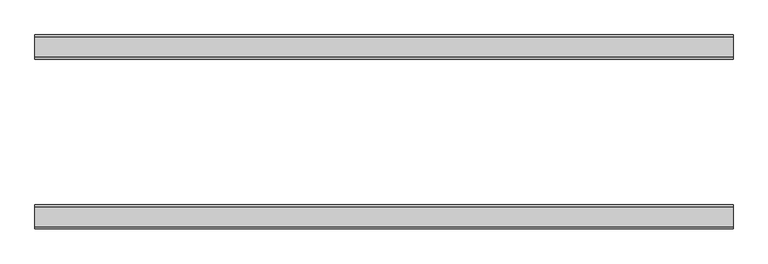
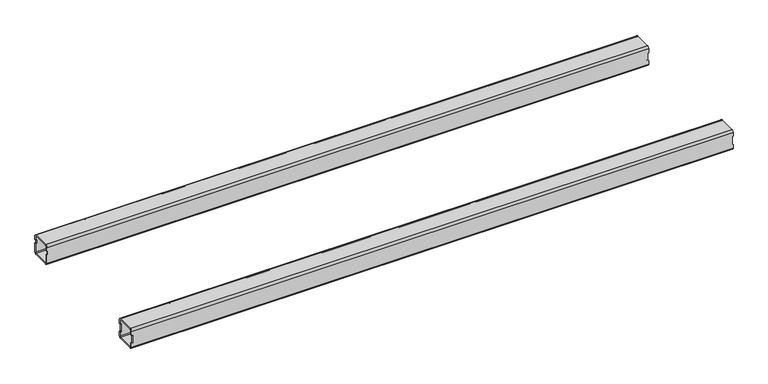
"""IFC4 building model written with IfcOpenShell, lengths in millimetres: furniture geometry."""

from ifc_helpers import new_model, si_unit, frame, origin, place, context, project, spatial, polyline, circle_curve, source, transform, mapped, element, save
from ifc_brep_helpers import plane_surface, cylinder_surface, revolved_surface, advanced_brep


def furniture_e0db8bc3(model_context):
    return source(origin(), model_context, "Body", "AdvancedBrep", [
        advanced_brep(
        [(-2312.651278, -436.5, 675.576), (-2312.651278, -440.5, 671.576), (-2312.651278, -472.5, 671.576), (-2312.651278, -476.5, 675.576), (-2312.651278, -476.5, 683.076), (-2312.651278, -474.5, 683.076), (-2312.651278, -474.5, 675.576), (-2312.651278, -472.5, 673.576), (-2312.651278, -440.5, 673.576), (-2312.651278, -438.5, 675.576), (-2312.651278, -438.5, 683.076), (-2312.651278, -436.5, 683.076), (-2312.651278, -472.5, 711.2), (-2312.651278, -440.5, 711.2), (-2312.651278, -436.5, 707.2), (-2312.651278, -436.5, 699.7), (-2312.651278, -438.5, 699.7), (-2312.651278, -438.5, 707.2), (-2312.651278, -440.5, 709.2), (-2312.651278, -472.5, 709.2), (-2312.651278, -474.5, 707.2), (-2312.651278, -474.5, 699.7), (-2312.651278, -476.5, 699.7), (-2312.651278, -476.5, 707.2), (-1156.062278, -476.5, 675.576), (-1156.062278, -472.5, 671.576), (-1156.062278, -440.5, 671.576), (-1156.062278, -436.5, 675.576), (-1156.062278, -436.5, 683.076), (-1156.062278, -438.5, 683.076), (-1156.062278, -438.5, 675.576), (-1156.062278, -440.5, 673.576), (-1156.062278, -472.5, 673.576), (-1156.062278, -474.5, 675.576), (-1156.062278, -474.5, 683.076), (-1156.062278, -476.5, 683.076), (-1156.062278, -472.5, 711.2), (-1156.062278, -476.5, 707.2), (-1156.062278, -476.5, 699.7), (-1156.062278, -474.5, 699.7), (-1156.062278, -474.5, 707.2), (-1156.062278, -472.5, 709.2), (-1156.062278, -440.5, 709.2), (-1156.062278, -438.5, 707.2), (-1156.062278, -438.5, 699.7), (-1156.062278, -436.5, 699.7), (-1156.062278, -436.5, 707.2), (-1156.062278, -440.5, 711.2), (-1157.427278, -476.5, 683.076), (-1158.062278, -476.5, 683.711), (-1158.062278, -476.5, 699.065), (-1157.427278, -476.5, 699.7), (-2311.286278, -476.5, 699.7), (-2310.651278, -476.5, 699.065), (-2310.651278, -476.5, 683.711), (-2311.286278, -476.5, 683.076), (-1157.427278, -436.5, 699.7), (-1158.062278, -436.5, 699.065), (-1158.062278, -436.5, 683.711), (-1157.427278, -436.5, 683.076), (-2311.286278, -436.5, 683.076), (-2310.651278, -436.5, 683.711), (-2310.651278, -436.5, 699.065), (-2311.286278, -436.5, 699.7), (-1157.427278, -438.5, 683.076), (-1158.062278, -438.5, 683.711), (-1158.062278, -438.5, 699.065), (-1157.427278, -438.5, 699.7), (-2311.286278, -438.5, 699.7), (-2310.651278, -438.5, 699.065), (-2310.651278, -438.5, 683.711), (-2311.286278, -438.5, 683.076), (-1157.427278, -474.5, 699.7), (-1158.062278, -474.5, 699.065), (-1158.062278, -474.5, 683.711), (-1157.427278, -474.5, 683.076), (-2311.286278, -474.5, 683.076), (-2310.651278, -474.5, 683.711), (-2310.651278, -474.5, 699.065), (-2311.286278, -474.5, 699.7)],
        [
            (0, 1, circle_curve(frame((-2312.651278, -440.5, 675.576), z_axis=(-1.0, 0.0, 0.0), x_axis=(0.0, 1.0, 0.0)), 4.0)),
            (1, 2),
            (2, 3, circle_curve(frame((-2312.651278, -472.5, 675.576), z_axis=(-1.0, 0.0, 0.0), x_axis=(0.0, 1.0, 0.0)), 4.0)),
            (3, 4),
            (4, 5),
            (5, 6),
            (6, 7, circle_curve(frame((-2312.651278, -472.5, 675.576), z_axis=(1.0, 0.0, 0.0), x_axis=(0.0, 1.0, 0.0)), 2.0)),
            (7, 8),
            (8, 9, circle_curve(frame((-2312.651278, -440.5, 675.576), z_axis=(1.0, 0.0, 0.0), x_axis=(0.0, 1.0, 0.0)), 2.0)),
            (9, 10),
            (10, 11),
            (11, 0),
            (12, 13),
            (13, 14, circle_curve(frame((-2312.651278, -440.5, 707.2), z_axis=(-1.0, 0.0, 0.0), x_axis=(0.0, 1.0, 0.0)), 4.0)),
            (14, 15),
            (15, 16),
            (16, 17),
            (17, 18, circle_curve(frame((-2312.651278, -440.5, 707.2), z_axis=(1.0, 0.0, 0.0), x_axis=(0.0, 1.0, 0.0)), 2.0)),
            (18, 19),
            (19, 20, circle_curve(frame((-2312.651278, -472.5, 707.2), z_axis=(1.0, 0.0, 0.0), x_axis=(0.0, 1.0, 0.0)), 2.0)),
            (20, 21),
            (21, 22),
            (22, 23),
            (23, 12, circle_curve(frame((-2312.651278, -472.5, 707.2), z_axis=(-1.0, 0.0, 0.0), x_axis=(0.0, 1.0, 0.0)), 4.0)),
            (24, 25, circle_curve(frame((-1156.062278, -472.5, 675.576), z_axis=(1.0, 0.0, 0.0), x_axis=(0.0, 1.0, 0.0)), 4.0)),
            (25, 26),
            (26, 27, circle_curve(frame((-1156.062278, -440.5, 675.576), z_axis=(1.0, 0.0, 0.0), x_axis=(0.0, 1.0, 0.0)), 4.0)),
            (27, 28),
            (28, 29),
            (29, 30),
            (30, 31, circle_curve(frame((-1156.062278, -440.5, 675.576), z_axis=(-1.0, 0.0, 0.0), x_axis=(0.0, 1.0, 0.0)), 2.0)),
            (31, 32),
            (32, 33, circle_curve(frame((-1156.062278, -472.5, 675.576), z_axis=(-1.0, 0.0, 0.0), x_axis=(0.0, 1.0, 0.0)), 2.0)),
            (33, 34),
            (34, 35),
            (35, 24),
            (36, 37, circle_curve(frame((-1156.062278, -472.5, 707.2), z_axis=(1.0, 0.0, 0.0), x_axis=(0.0, 1.0, 0.0)), 4.0)),
            (37, 38),
            (38, 39),
            (39, 40),
            (40, 41, circle_curve(frame((-1156.062278, -472.5, 707.2), z_axis=(-1.0, 0.0, 0.0), x_axis=(0.0, 1.0, 0.0)), 2.0)),
            (41, 42),
            (42, 43, circle_curve(frame((-1156.062278, -440.5, 707.2), z_axis=(-1.0, 0.0, 0.0), x_axis=(0.0, 1.0, 0.0)), 2.0)),
            (43, 44),
            (44, 45),
            (45, 46),
            (46, 47, circle_curve(frame((-1156.062278, -440.5, 707.2), z_axis=(1.0, 0.0, 0.0), x_axis=(0.0, 1.0, 0.0)), 4.0)),
            (47, 36),
            (12, 36),
            (47, 13),
            (3, 24),
            (35, 48),
            (48, 49, circle_curve(frame((-1157.427278, -476.5, 683.711), z_axis=(0.0, 1.0, 0.0), x_axis=(0.0, 0.0, -1.0)), 0.635)),
            (49, 50),
            (50, 51, circle_curve(frame((-1157.427278, -476.5, 699.065), z_axis=(0.0, 1.0, 0.0), x_axis=(0.0, 0.0, -1.0)), 0.635)),
            (51, 38),
            (37, 23),
            (22, 52),
            (52, 53, circle_curve(frame((-2311.286278, -476.5, 699.065), z_axis=(0.0, 1.0, 0.0), x_axis=(0.0, 0.0, -1.0)), 0.635)),
            (53, 54),
            (54, 55, circle_curve(frame((-2311.286278, -476.5, 683.711), z_axis=(0.0, 1.0, 0.0), x_axis=(0.0, 0.0, -1.0)), 0.635)),
            (55, 4),
            (1, 26),
            (25, 2),
            (14, 46),
            (45, 56),
            (56, 57, circle_curve(frame((-1157.427278, -436.5, 699.065), z_axis=(0.0, -1.0, 0.0), x_axis=(0.0, 0.0, -1.0)), 0.635)),
            (57, 58),
            (58, 59, circle_curve(frame((-1157.427278, -436.5, 683.711), z_axis=(0.0, -1.0, 0.0), x_axis=(0.0, 0.0, -1.0)), 0.635)),
            (59, 28),
            (27, 0),
            (11, 60),
            (60, 61, circle_curve(frame((-2311.286278, -436.5, 683.711), z_axis=(0.0, -1.0, 0.0), x_axis=(0.0, 0.0, -1.0)), 0.635)),
            (61, 62),
            (62, 63, circle_curve(frame((-2311.286278, -436.5, 699.065), z_axis=(0.0, -1.0, 0.0), x_axis=(0.0, 0.0, -1.0)), 0.635)),
            (63, 15),
            (9, 30),
            (29, 64),
            (64, 65, circle_curve(frame((-1157.427278, -438.5, 683.711), z_axis=(0.0, 1.0, 0.0), x_axis=(0.0, 0.0, -1.0)), 0.635)),
            (65, 66),
            (66, 67, circle_curve(frame((-1157.427278, -438.5, 699.065), z_axis=(0.0, 1.0, 0.0), x_axis=(0.0, 0.0, -1.0)), 0.635)),
            (67, 44),
            (43, 17),
            (16, 68),
            (68, 69, circle_curve(frame((-2311.286278, -438.5, 699.065), z_axis=(0.0, 1.0, 0.0), x_axis=(0.0, 0.0, -1.0)), 0.635)),
            (69, 70),
            (70, 71, circle_curve(frame((-2311.286278, -438.5, 683.711), z_axis=(0.0, 1.0, 0.0), x_axis=(0.0, 0.0, -1.0)), 0.635)),
            (71, 10),
            (7, 32),
            (31, 8),
            (20, 40),
            (39, 72),
            (72, 73, circle_curve(frame((-1157.427278, -474.5, 699.065), z_axis=(0.0, -1.0, 0.0), x_axis=(0.0, 0.0, -1.0)), 0.635)),
            (73, 74),
            (74, 75, circle_curve(frame((-1157.427278, -474.5, 683.711), z_axis=(0.0, -1.0, 0.0), x_axis=(0.0, 0.0, -1.0)), 0.635)),
            (75, 34),
            (33, 6),
            (5, 76),
            (76, 77, circle_curve(frame((-2311.286278, -474.5, 683.711), z_axis=(0.0, -1.0, 0.0), x_axis=(0.0, 0.0, -1.0)), 0.635)),
            (77, 78),
            (78, 79, circle_curve(frame((-2311.286278, -474.5, 699.065), z_axis=(0.0, -1.0, 0.0), x_axis=(0.0, 0.0, -1.0)), 0.635)),
            (79, 21),
            (18, 42),
            (41, 19),
            (63, 68),
            (79, 52),
            (71, 60),
            (55, 76),
            (70, 61),
            (54, 77),
            (69, 62),
            (53, 78),
            (67, 56),
            (51, 72),
            (59, 64),
            (75, 48),
            (58, 65),
            (74, 49),
            (57, 66),
            (73, 50),
        ],
        [
            plane_surface(frame((-2312.651278, -440.5, 711.2), z_axis=(-1.0, 0.0, 0.0), x_axis=(0.0, 1.0, 0.0))),
            plane_surface(frame((-1156.062278, -440.5, 711.2), z_axis=(1.0, 0.0, 0.0), x_axis=(0.0, -1.0, 0.0))),
            plane_surface(frame((-2312.651278, -472.5, 711.2), z_axis=(0.0, 0.0, 1.0), x_axis=(1.0, 0.0, 0.0))),
            plane_surface(frame((-2312.651278, -476.5, 675.576), z_axis=(0.0, -1.0, -2.129420680589156e-12), x_axis=(1.0, 0.0, 0.0))),
            plane_surface(frame((-2312.651278, -440.5, 671.576), z_axis=(0.0, -1.8188783812477237e-12, -1.0), x_axis=(1.0, 0.0, 0.0))),
            plane_surface(frame((-2312.651278, -436.5, 707.2), z_axis=(0.0, 1.0, 0.0), x_axis=(1.0, 0.0, 0.0))),
            plane_surface(frame((-2312.651278, -438.5, 675.576), z_axis=(0.0, -1.0, 0.0), x_axis=(1.0, 0.0, 0.0))),
            plane_surface(frame((-2312.651278, -472.5, 673.576), z_axis=(0.0, 0.0, 1.0), x_axis=(1.0, 0.0, 0.0))),
            plane_surface(frame((-2312.651278, -474.5, 707.2), z_axis=(0.0, 1.0, 1.7955617598143294e-12), x_axis=(1.0, 0.0, 0.0))),
            plane_surface(frame((-2312.651278, -440.5, 709.2), z_axis=(0.0, -2.1192048116285935e-12, -1.0), x_axis=(1.0, 0.0, 0.0))),
            cylinder_surface(frame((-1156.062278, -472.5, 707.2), z_axis=(-1.0, 0.0, 0.0), x_axis=(0.0, 1.0, 0.0)), 4.0),
            cylinder_surface(frame((-1156.062278, -472.5, 675.576), z_axis=(-1.0, 0.0, 0.0), x_axis=(0.0, 1.0, 0.0)), 4.0),
            cylinder_surface(frame((-1156.062278, -440.5, 675.576), z_axis=(-1.0, 0.0, 0.0), x_axis=(0.0, 1.0, 0.0)), 4.0),
            cylinder_surface(frame((-1156.062278, -440.5, 707.2), z_axis=(-1.0, 0.0, 0.0), x_axis=(0.0, 1.0, 0.0)), 4.0),
            revolved_surface(polyline([(-1156.062278, -438.5, 707.2), (-2312.651278, -438.5, 707.2)]), (-1328.941356, -440.5, 707.2), (1.0, 0.0, 0.0)),
            revolved_surface(polyline([(-1156.062278, -438.5, 675.576), (-2312.651278, -438.5, 675.576)]), (-1328.941356, -440.5, 675.576), (1.0, 0.0, 0.0)),
            revolved_surface(polyline([(-1156.062278, -470.5, 675.576), (-2312.651278, -470.5, 675.576)]), (-1328.941356, -472.5, 675.576), (1.0, 0.0, 0.0)),
            revolved_surface(polyline([(-1156.062278, -470.5, 707.2), (-2312.651278, -470.5, 707.2)]), (-1328.941356, -472.5, 707.2), (1.0, 0.0, 0.0)),
            plane_surface(frame((-2311.286278, -476.5, 699.7), z_axis=(0.0, 0.0, -1.0), x_axis=(0.0, 1.0, 0.0))),
            plane_surface(frame((-2312.651278, -476.5, 683.076), z_axis=(0.0, 0.0, 1.0), x_axis=(0.0, 1.0, 0.0))),
            revolved_surface(polyline([(-2311.286278, -438.5, 683.076), (-2311.286278, -436.5, 683.076)]), (-2311.286278, -436.5, 683.711), (0.0, -1.0, 0.0)),
            revolved_surface(polyline([(-2311.286278, -476.5, 683.076), (-2311.286278, -474.5, 683.076)]), (-2311.286278, -436.5, 683.711), (0.0, -1.0, 0.0)),
            plane_surface(frame((-2310.651278, -476.5, 683.711), z_axis=(-1.0, 0.0, 3.2618604096176086e-12), x_axis=(0.0, 1.0, 0.0))),
            revolved_surface(polyline([(-2311.286278, -438.5, 698.4300000000001), (-2311.286278, -436.5, 698.4300000000001)]), (-2311.286278, -436.5, 699.065), (0.0, -1.0, 0.0)),
            revolved_surface(polyline([(-2311.286278, -476.5, 698.4300000000001), (-2311.286278, -474.5, 698.4300000000001)]), (-2311.286278, -436.5, 699.065), (0.0, -1.0, 0.0)),
            plane_surface(frame((-1156.062278, -476.5, 699.7), z_axis=(-1.150298415755112e-11, 0.0, -1.0), x_axis=(0.0, 1.0, 0.0))),
            plane_surface(frame((-1157.427278, -476.5, 683.076), z_axis=(6.951372323285398e-11, 0.0, 1.0), x_axis=(0.0, 1.0, 0.0))),
            revolved_surface(polyline([(-1157.427278, -438.5, 683.076), (-1157.427278, -436.5, 683.076)]), (-1157.427278, -436.5, 683.711), (0.0, -1.0, 0.0)),
            revolved_surface(polyline([(-1157.427278, -476.5, 683.076), (-1157.427278, -474.5, 683.076)]), (-1157.427278, -436.5, 683.711), (0.0, -1.0, 0.0)),
            plane_surface(frame((-1158.062278, -476.5, 699.065), z_axis=(1.0, 0.0, 0.0), x_axis=(0.0, 1.0, 0.0))),
            revolved_surface(polyline([(-1157.427278, -438.5, 698.4300000000001), (-1157.427278, -436.5, 698.4300000000001)]), (-1157.427278, -436.5, 699.065), (0.0, -1.0, 0.0)),
            revolved_surface(polyline([(-1157.427278, -476.5, 698.4300000000001), (-1157.427278, -474.5, 698.4300000000001)]), (-1157.427278, -436.5, 699.065), (0.0, -1.0, 0.0)),
        ],
        [
            (0, [[1, 2, 3, 4, 5, 6, 7, 8, 9, 10, 11, 12]]),
            (0, [[13, 14, 15, 16, 17, 18, 19, 20, 21, 22, 23, 24]]),
            (1, [[25, 26, 27, 28, 29, 30, 31, 32, 33, 34, 35, 36]]),
            (1, [[37, 38, 39, 40, 41, 42, 43, 44, 45, 46, 47, 48]]),
            (2, [[-13, 49, -48, 50]]),
            (3, [[51, -36, 52, 53, 54, 55, 56, -38, 57, -23, 58, 59, 60, 61, 62, -4]]),
            (4, [[-2, 63, -26, 64]]),
            (5, [[65, -46, 66, 67, 68, 69, 70, -28, 71, -12, 72, 73, 74, 75, 76, -15]]),
            (6, [[77, -30, 78, 79, 80, 81, 82, -44, 83, -17, 84, 85, 86, 87, 88, -10]]),
            (7, [[-8, 89, -32, 90]]),
            (8, [[91, -40, 92, 93, 94, 95, 96, -34, 97, -6, 98, 99, 100, 101, 102, -21]]),
            (9, [[-19, 103, -42, 104]]),
            (10, [[-24, -57, -37, -49]]),
            (11, [[-3, -64, -25, -51]]),
            (12, [[-1, -71, -27, -63]]),
            (13, [[-14, -50, -47, -65]]),
            (14, [[-18, -83, -43, -103]]),
            (15, [[-9, -90, -31, -77]]),
            (16, [[-7, -97, -33, -89]]),
            (17, [[-20, -104, -41, -91]]),
            (18, [[105, -84, -16, -76]]),
            (18, [[106, -58, -22, -102]]),
            (19, [[107, -72, -11, -88]]),
            (19, [[108, -98, -5, -62]]),
            (20, [[-107, -87, 109, -73]]),
            (21, [[-108, -61, 110, -99]]),
            (22, [[-109, -86, 111, -74]]),
            (22, [[-110, -60, 112, -100]]),
            (23, [[-105, -75, -111, -85]]),
            (24, [[-106, -101, -112, -59]]),
            (25, [[113, -66, -45, -82]]),
            (25, [[114, -92, -39, -56]]),
            (26, [[115, -78, -29, -70]]),
            (26, [[116, -52, -35, -96]]),
            (27, [[-115, -69, 117, -79]]),
            (28, [[-116, -95, 118, -53]]),
            (29, [[-117, -68, 119, -80]]),
            (29, [[-118, -94, 120, -54]]),
            (30, [[-119, -67, -113, -81]]),
            (31, [[-120, -93, -114, -55]]),
        ],
    ),
        advanced_brep(
        [(-2312.651278, -155.0, 675.576), (-2312.651278, -159.0, 671.576), (-2312.651278, -191.0, 671.576), (-2312.651278, -195.0, 675.576), (-2312.651278, -195.0, 692.7), (-2312.651278, -193.0, 692.7), (-2312.651278, -193.0, 675.576), (-2312.651278, -191.0, 673.576), (-2312.651278, -159.0, 673.576), (-2312.651278, -157.0, 675.576), (-2312.651278, -157.0, 692.7), (-2312.651278, -155.0, 692.7), (-2312.651278, -159.0, 711.2), (-2312.651278, -155.0, 707.2), (-2312.651278, -155.0, 699.7), (-2312.651278, -157.0, 699.7), (-2312.651278, -157.0, 707.2), (-2312.651278, -159.0, 709.2), (-2312.651278, -191.0, 709.2), (-2312.651278, -193.0, 707.2), (-2312.651278, -193.0, 699.7), (-2312.651278, -195.0, 699.7), (-2312.651278, -195.0, 707.2), (-2312.651278, -191.0, 711.2), (-1156.062278, -195.0, 675.576), (-1156.062278, -191.0, 671.576), (-1156.062278, -159.0, 671.576), (-1156.062278, -155.0, 675.576), (-1156.062278, -155.0, 683.076), (-1156.062278, -157.0, 683.076), (-1156.062278, -157.0, 675.576), (-1156.062278, -159.0, 673.576), (-1156.062278, -191.0, 673.576), (-1156.062278, -193.0, 675.576), (-1156.062278, -193.0, 683.076), (-1156.062278, -195.0, 683.076), (-1156.062278, -159.0, 711.2), (-1156.062278, -191.0, 711.2), (-1156.062278, -195.0, 707.2), (-1156.062278, -195.0, 699.7), (-1156.062278, -193.0, 699.7), (-1156.062278, -193.0, 707.2), (-1156.062278, -191.0, 709.2), (-1156.062278, -159.0, 709.2), (-1156.062278, -157.0, 707.2), (-1156.062278, -157.0, 699.7), (-1156.062278, -155.0, 699.7), (-1156.062278, -155.0, 707.2), (-1157.427278, -155.0, 699.7), (-1158.062278, -155.0, 699.065), (-1158.062278, -155.0, 683.711), (-1157.427278, -155.0, 683.076), (-2311.286278, -155.0, 692.7), (-2310.651278, -155.0, 693.335), (-2310.651278, -155.0, 699.065), (-2311.286278, -155.0, 699.7), (-1157.427278, -195.0, 683.076), (-1158.062278, -195.0, 683.711), (-1158.062278, -195.0, 699.065), (-1157.427278, -195.0, 699.7), (-2311.286278, -195.0, 699.7), (-2310.651278, -195.0, 699.065), (-2310.651278, -195.0, 693.335), (-2311.286278, -195.0, 692.7), (-1157.427278, -193.0, 699.7), (-1158.062278, -193.0, 699.065), (-1158.062278, -193.0, 683.711), (-1157.427278, -193.0, 683.076), (-2311.286278, -193.0, 692.7), (-2310.651278, -193.0, 693.335), (-2310.651278, -193.0, 699.065), (-2311.286278, -193.0, 699.7), (-1157.427278, -157.0, 683.076), (-1158.062278, -157.0, 683.711), (-1158.062278, -157.0, 699.065), (-1157.427278, -157.0, 699.7), (-2311.286278, -157.0, 699.7), (-2310.651278, -157.0, 699.065), (-2310.651278, -157.0, 693.335), (-2311.286278, -157.0, 692.7)],
        [
            (0, 1, circle_curve(frame((-2312.651278, -159.0, 675.576), z_axis=(-1.0, 0.0, 0.0), x_axis=(0.0, -1.0, 0.0)), 4.0)),
            (1, 2),
            (2, 3, circle_curve(frame((-2312.651278, -191.0, 675.576), z_axis=(-1.0, 0.0, 0.0), x_axis=(0.0, -1.0, 0.0)), 4.0)),
            (3, 4),
            (4, 5),
            (5, 6),
            (6, 7, circle_curve(frame((-2312.651278, -191.0, 675.576), z_axis=(1.0, 0.0, 0.0), x_axis=(0.0, -1.0, 0.0)), 2.0)),
            (7, 8),
            (8, 9, circle_curve(frame((-2312.651278, -159.0, 675.576), z_axis=(1.0, 0.0, 0.0), x_axis=(0.0, -1.0, 0.0)), 2.0)),
            (9, 10),
            (10, 11),
            (11, 0),
            (12, 13, circle_curve(frame((-2312.651278, -159.0, 707.2), z_axis=(-1.0, 0.0, 0.0), x_axis=(0.0, -1.0, 0.0)), 4.0)),
            (13, 14),
            (14, 15),
            (15, 16),
            (16, 17, circle_curve(frame((-2312.651278, -159.0, 707.2), z_axis=(1.0, 0.0, 0.0), x_axis=(0.0, -1.0, 0.0)), 2.0)),
            (17, 18),
            (18, 19, circle_curve(frame((-2312.651278, -191.0, 707.2), z_axis=(1.0, 0.0, 0.0), x_axis=(0.0, -1.0, 0.0)), 2.0)),
            (19, 20),
            (20, 21),
            (21, 22),
            (22, 23, circle_curve(frame((-2312.651278, -191.0, 707.2), z_axis=(-1.0, 0.0, 0.0), x_axis=(0.0, -1.0, 0.0)), 4.0)),
            (23, 12),
            (24, 25, circle_curve(frame((-1156.062278, -191.0, 675.576), z_axis=(1.0, 0.0, 0.0), x_axis=(0.0, -1.0, 0.0)), 4.0)),
            (25, 26),
            (26, 27, circle_curve(frame((-1156.062278, -159.0, 675.576), z_axis=(1.0, 0.0, 0.0), x_axis=(0.0, -1.0, 0.0)), 4.0)),
            (27, 28),
            (28, 29),
            (29, 30),
            (30, 31, circle_curve(frame((-1156.062278, -159.0, 675.576), z_axis=(-1.0, 0.0, 0.0), x_axis=(0.0, -1.0, 0.0)), 2.0)),
            (31, 32),
            (32, 33, circle_curve(frame((-1156.062278, -191.0, 675.576), z_axis=(-1.0, 0.0, 0.0), x_axis=(0.0, -1.0, 0.0)), 2.0)),
            (33, 34),
            (34, 35),
            (35, 24),
            (36, 37),
            (37, 38, circle_curve(frame((-1156.062278, -191.0, 707.2), z_axis=(1.0, 0.0, 0.0), x_axis=(0.0, -1.0, 0.0)), 4.0)),
            (38, 39),
            (39, 40),
            (40, 41),
            (41, 42, circle_curve(frame((-1156.062278, -191.0, 707.2), z_axis=(-1.0, 0.0, 0.0), x_axis=(0.0, -1.0, 0.0)), 2.0)),
            (42, 43),
            (43, 44, circle_curve(frame((-1156.062278, -159.0, 707.2), z_axis=(-1.0, 0.0, 0.0), x_axis=(0.0, -1.0, 0.0)), 2.0)),
            (44, 45),
            (45, 46),
            (46, 47),
            (47, 36, circle_curve(frame((-1156.062278, -159.0, 707.2), z_axis=(1.0, 0.0, 0.0), x_axis=(0.0, -1.0, 0.0)), 4.0)),
            (23, 37),
            (36, 12),
            (13, 47),
            (46, 48),
            (48, 49, circle_curve(frame((-1157.427278, -155.0, 699.065), z_axis=(0.0, -1.0, 0.0), x_axis=(0.0, 0.0, -1.0)), 0.635)),
            (49, 50),
            (50, 51, circle_curve(frame((-1157.427278, -155.0, 683.711), z_axis=(0.0, -1.0, 0.0), x_axis=(0.0, 0.0, -1.0)), 0.635)),
            (51, 28),
            (27, 0),
            (11, 52),
            (52, 53, circle_curve(frame((-2311.286278, -155.0, 693.335), z_axis=(0.0, -1.0, 0.0), x_axis=(0.0, 0.0, -1.0)), 0.635)),
            (53, 54),
            (54, 55, circle_curve(frame((-2311.286278, -155.0, 699.065), z_axis=(0.0, -1.0, 0.0), x_axis=(0.0, 0.0, -1.0)), 0.635)),
            (55, 14),
            (1, 26),
            (25, 2),
            (3, 24),
            (35, 56),
            (56, 57, circle_curve(frame((-1157.427278, -195.0, 683.711), z_axis=(0.0, 1.0, 0.0), x_axis=(0.0, 0.0, -1.0)), 0.635)),
            (57, 58),
            (58, 59, circle_curve(frame((-1157.427278, -195.0, 699.065), z_axis=(0.0, 1.0, 0.0), x_axis=(0.0, 0.0, -1.0)), 0.635)),
            (59, 39),
            (38, 22),
            (21, 60),
            (60, 61, circle_curve(frame((-2311.286278, -195.0, 699.065), z_axis=(0.0, 1.0, 0.0), x_axis=(0.0, 0.0, -1.0)), 0.635)),
            (61, 62),
            (62, 63, circle_curve(frame((-2311.286278, -195.0, 693.335), z_axis=(0.0, 1.0, 0.0), x_axis=(0.0, 0.0, -1.0)), 0.635)),
            (63, 4),
            (19, 41),
            (40, 64),
            (64, 65, circle_curve(frame((-1157.427278, -193.0, 699.065), z_axis=(0.0, -1.0, 0.0), x_axis=(0.0, 0.0, -1.0)), 0.635)),
            (65, 66),
            (66, 67, circle_curve(frame((-1157.427278, -193.0, 683.711), z_axis=(0.0, -1.0, 0.0), x_axis=(0.0, 0.0, -1.0)), 0.635)),
            (67, 34),
            (33, 6),
            (5, 68),
            (68, 69, circle_curve(frame((-2311.286278, -193.0, 693.335), z_axis=(0.0, -1.0, 0.0), x_axis=(0.0, 0.0, -1.0)), 0.635)),
            (69, 70),
            (70, 71, circle_curve(frame((-2311.286278, -193.0, 699.065), z_axis=(0.0, -1.0, 0.0), x_axis=(0.0, 0.0, -1.0)), 0.635)),
            (71, 20),
            (7, 32),
            (31, 8),
            (9, 30),
            (29, 72),
            (72, 73, circle_curve(frame((-1157.427278, -157.0, 683.711), z_axis=(0.0, 1.0, 0.0), x_axis=(0.0, 0.0, -1.0)), 0.635)),
            (73, 74),
            (74, 75, circle_curve(frame((-1157.427278, -157.0, 699.065), z_axis=(0.0, 1.0, 0.0), x_axis=(0.0, 0.0, -1.0)), 0.635)),
            (75, 45),
            (44, 16),
            (15, 76),
            (76, 77, circle_curve(frame((-2311.286278, -157.0, 699.065), z_axis=(0.0, 1.0, 0.0), x_axis=(0.0, 0.0, -1.0)), 0.635)),
            (77, 78),
            (78, 79, circle_curve(frame((-2311.286278, -157.0, 693.335), z_axis=(0.0, 1.0, 0.0), x_axis=(0.0, 0.0, -1.0)), 0.635)),
            (79, 10),
            (17, 43),
            (42, 18),
            (59, 64),
            (75, 48),
            (67, 56),
            (51, 72),
            (66, 57),
            (50, 73),
            (65, 58),
            (49, 74),
            (71, 60),
            (55, 76),
            (63, 68),
            (79, 52),
            (62, 69),
            (78, 53),
            (61, 70),
            (77, 54),
        ],
        [
            plane_surface(frame((-2312.651278, -163.0, 707.2), z_axis=(-1.0, 0.0, 0.0), x_axis=(0.0, 0.0, 1.0))),
            plane_surface(frame((-1156.062278, -163.0, 707.2), z_axis=(1.0, 0.0, 0.0), x_axis=(0.0, 0.0, -1.0))),
            plane_surface(frame((-2312.651278, -191.0, 711.2), z_axis=(0.0, 0.0, 1.0), x_axis=(1.0, 0.0, 0.0))),
            plane_surface(frame((-2312.651278, -155.0, 707.2), z_axis=(0.0, 1.0, 0.0), x_axis=(1.0, 0.0, 0.0))),
            plane_surface(frame((-2312.651278, -159.0, 671.576), z_axis=(0.0, 0.0, -1.0), x_axis=(1.0, 0.0, 0.0))),
            plane_surface(frame((-2312.651278, -195.0, 675.576), z_axis=(0.0, -1.0, -5.217615697799246e-12), x_axis=(1.0, 0.0, 0.0))),
            plane_surface(frame((-2312.651278, -193.0, 707.2), z_axis=(0.0, 1.0, 0.0), x_axis=(1.0, 0.0, 0.0))),
            plane_surface(frame((-2312.651278, -191.0, 673.576), z_axis=(0.0, 5.194378260880819e-12, 1.0), x_axis=(1.0, 0.0, 0.0))),
            plane_surface(frame((-2312.651278, -157.0, 675.576), z_axis=(0.0, -1.0, 0.0), x_axis=(1.0, 0.0, 0.0))),
            plane_surface(frame((-2312.651278, -159.0, 709.2), z_axis=(0.0, 0.0, -1.0), x_axis=(1.0, 0.0, 0.0))),
            cylinder_surface(frame((-1156.062278, -191.0, 707.2), z_axis=(-1.0, 0.0, 0.0), x_axis=(0.0, -1.0, 0.0)), 4.0),
            cylinder_surface(frame((-1156.062278, -191.0, 675.576), z_axis=(-1.0, 0.0, 0.0), x_axis=(0.0, -1.0, 0.0)), 4.0),
            cylinder_surface(frame((-1156.062278, -159.0, 675.576), z_axis=(-1.0, 0.0, 0.0), x_axis=(0.0, -1.0, 0.0)), 4.0),
            cylinder_surface(frame((-1156.062278, -159.0, 707.2), z_axis=(-1.0, 0.0, 0.0), x_axis=(0.0, -1.0, 0.0)), 4.0),
            revolved_surface(polyline([(-1156.062278, -161.0, 707.2), (-2312.651278, -161.0, 707.2)]), (-1328.941356, -159.0, 707.2), (1.0, 0.0, 0.0)),
            revolved_surface(polyline([(-1156.062278, -161.0, 675.576), (-2312.651278, -161.0, 675.576)]), (-1328.941356, -159.0, 675.576), (1.0, 0.0, 0.0)),
            revolved_surface(polyline([(-1156.062278, -193.0, 675.576), (-2312.651278, -193.0, 675.576)]), (-1328.941356, -191.0, 675.576), (1.0, 0.0, 0.0)),
            revolved_surface(polyline([(-1156.062278, -193.0, 707.2), (-2312.651278, -193.0, 707.2)]), (-1328.941356, -191.0, 707.2), (1.0, 0.0, 0.0)),
            plane_surface(frame((-1157.427278, -155.0, 699.7), z_axis=(-1.4279566540389879e-11, 0.0, -1.0), x_axis=(0.0, -1.0, 0.0))),
            plane_surface(frame((-1156.062278, -155.0, 683.076), z_axis=(6.217561264872053e-11, 0.0, 1.0), x_axis=(0.0, -1.0, 0.0))),
            revolved_surface(polyline([(-1157.427278, -193.0, 683.076), (-1157.427278, -195.0, 683.076)]), (-1157.427278, -195.0, 683.711), (0.0, 1.0, 0.0)),
            revolved_surface(polyline([(-1157.427278, -155.0, 683.076), (-1157.427278, -157.0, 683.076)]), (-1157.427278, -195.0, 683.711), (0.0, 1.0, 0.0)),
            plane_surface(frame((-1158.062278, -155.0, 683.711), z_axis=(1.0, 0.0, 0.0), x_axis=(0.0, -1.0, 0.0))),
            revolved_surface(polyline([(-1157.427278, -193.0, 698.4300000000001), (-1157.427278, -195.0, 698.4300000000001)]), (-1157.427278, -195.0, 699.065), (0.0, 1.0, 0.0)),
            revolved_surface(polyline([(-1157.427278, -155.0, 698.4300000000001), (-1157.427278, -157.0, 698.4300000000001)]), (-1157.427278, -195.0, 699.065), (0.0, 1.0, 0.0)),
            plane_surface(frame((-2312.651278, -155.0, 699.7), z_axis=(0.0, 0.0, -1.0), x_axis=(0.0, -1.0, 0.0))),
            plane_surface(frame((-2311.286278, -155.0, 692.7), z_axis=(0.0, 0.0, 1.0), x_axis=(0.0, -1.0, 0.0))),
            revolved_surface(polyline([(-2311.286278, -193.0, 692.7), (-2311.286278, -195.0, 692.7)]), (-2311.286278, -195.0, 693.335), (0.0, 1.0, 0.0)),
            revolved_surface(polyline([(-2311.286278, -155.0, 692.7), (-2311.286278, -157.0, 692.7)]), (-2311.286278, -195.0, 693.335), (0.0, 1.0, 0.0)),
            plane_surface(frame((-2310.651278, -155.0, 699.065), z_axis=(-1.0, 0.0, 0.0), x_axis=(0.0, -1.0, 0.0))),
            revolved_surface(polyline([(-2311.286278, -193.0, 698.4300000000001), (-2311.286278, -195.0, 698.4300000000001)]), (-2311.286278, -195.0, 699.065), (0.0, 1.0, 0.0)),
            revolved_surface(polyline([(-2311.286278, -155.0, 698.4300000000001), (-2311.286278, -157.0, 698.4300000000001)]), (-2311.286278, -195.0, 699.065), (0.0, 1.0, 0.0)),
        ],
        [
            (0, [[1, 2, 3, 4, 5, 6, 7, 8, 9, 10, 11, 12]]),
            (0, [[13, 14, 15, 16, 17, 18, 19, 20, 21, 22, 23, 24]]),
            (1, [[25, 26, 27, 28, 29, 30, 31, 32, 33, 34, 35, 36]]),
            (1, [[37, 38, 39, 40, 41, 42, 43, 44, 45, 46, 47, 48]]),
            (2, [[-24, 49, -37, 50]]),
            (3, [[51, -47, 52, 53, 54, 55, 56, -28, 57, -12, 58, 59, 60, 61, 62, -14]]),
            (4, [[-2, 63, -26, 64]]),
            (5, [[65, -36, 66, 67, 68, 69, 70, -39, 71, -22, 72, 73, 74, 75, 76, -4]]),
            (6, [[77, -41, 78, 79, 80, 81, 82, -34, 83, -6, 84, 85, 86, 87, 88, -20]]),
            (7, [[-8, 89, -32, 90]]),
            (8, [[91, -30, 92, 93, 94, 95, 96, -45, 97, -16, 98, 99, 100, 101, 102, -10]]),
            (9, [[-18, 103, -43, 104]]),
            (10, [[-23, -71, -38, -49]]),
            (11, [[-3, -64, -25, -65]]),
            (12, [[-1, -57, -27, -63]]),
            (13, [[-13, -50, -48, -51]]),
            (14, [[-17, -97, -44, -103]]),
            (15, [[-9, -90, -31, -91]]),
            (16, [[-7, -83, -33, -89]]),
            (17, [[-19, -104, -42, -77]]),
            (18, [[105, -78, -40, -70]]),
            (18, [[106, -52, -46, -96]]),
            (19, [[107, -66, -35, -82]]),
            (19, [[108, -92, -29, -56]]),
            (20, [[-107, -81, 109, -67]]),
            (21, [[-108, -55, 110, -93]]),
            (22, [[-109, -80, 111, -68]]),
            (22, [[-110, -54, 112, -94]]),
            (23, [[-105, -69, -111, -79]]),
            (24, [[-106, -95, -112, -53]]),
            (25, [[113, -72, -21, -88]]),
            (25, [[114, -98, -15, -62]]),
            (26, [[115, -84, -5, -76]]),
            (26, [[116, -58, -11, -102]]),
            (27, [[-115, -75, 117, -85]]),
            (28, [[-116, -101, 118, -59]]),
            (29, [[-117, -74, 119, -86]]),
            (29, [[-118, -100, 120, -60]]),
            (30, [[-119, -73, -113, -87]]),
            (31, [[-120, -99, -114, -61]]),
        ],
    ),
    ])


if __name__ == "__main__":
    model = new_model("IFC4")
    model_context = context("Model", 3, world=origin())
    ifc_project = project(units=[si_unit("LENGTHUNIT", "METRE", prefix="MILLI")], contexts=[model_context])
    site = spatial("IfcSite", under=ifc_project)
    building = spatial("IfcBuilding", under=site)
    placement = place(None, origin())
    furniture_shape = furniture_e0db8bc3(model_context)
    element("IfcFurniture", 1, at=placement, inside=building, context=model_context, shape_type="MappedRepresentation", body=[
        mapped(furniture_shape, transform((0.0, 0.0, 0.0), x_axis=(1.0, 0.0, 0.0), y_axis=(0.0, 1.0, 0.0), z_axis=(0.0, 0.0, 1.0))),
    ])
    save(model, "model.ifc")
